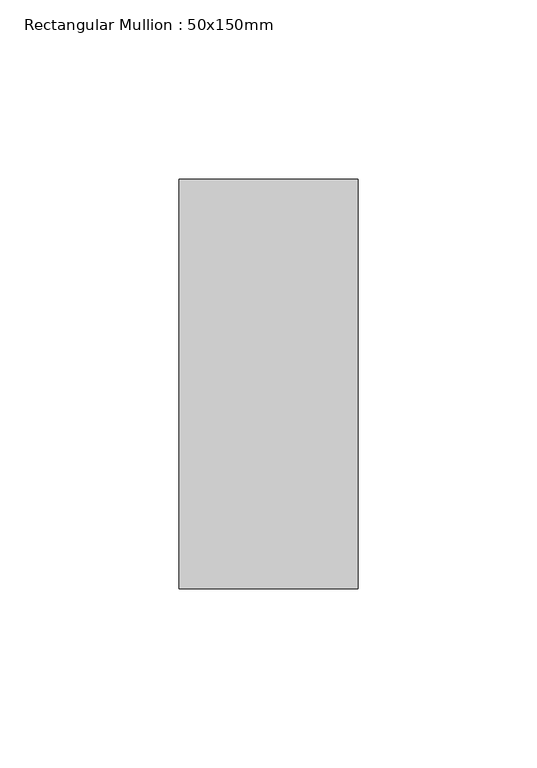
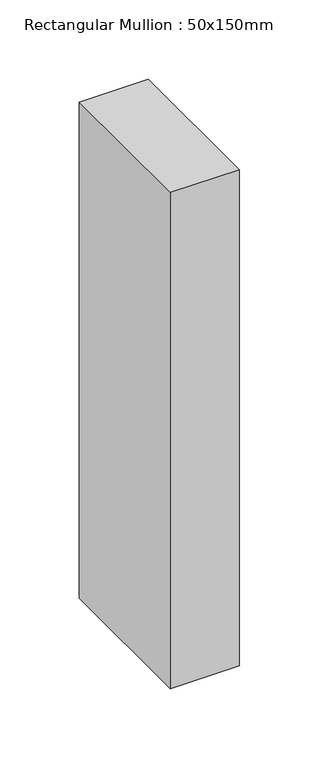
"""IFC4 building model written with IfcOpenShell, lengths in millimetres: member geometry, Rectangular Mullion : 50x150mm."""

from ifc_helpers import new_model, si_unit, frame, origin, place, context, project, spatial, polyline, outline, extrude, source, transform, mapped, element, save


def rectangular_mullion_50x150mm_ec39c34f(model_context):
    return source(origin(), model_context, "Body", "SweptSolid", [
        extrude(outline(polyline([(0.0, 57.15), (0.0, -57.15), (-50.0, -57.15), (-50.0, 57.15), (0.0, 57.15)])), frame((0.0, 0.0, -381.0), z_axis=(0.0, 0.0, 1.0), x_axis=(1.0, 0.0, 0.0)), (0.0, 0.0, 1.0), 381.0),
    ])


if __name__ == "__main__":
    model = new_model("IFC4")
    model_context = context("Model", 3, world=origin())
    ifc_project = project(units=[si_unit("LENGTHUNIT", "METRE", prefix="MILLI")], contexts=[model_context])
    site = spatial("IfcSite", under=ifc_project)
    building = spatial("IfcBuilding", under=site)
    placement = place(None, origin())
    rectangular_mullion_50x150mm_shape = rectangular_mullion_50x150mm_ec39c34f(model_context)
    element("IfcMember", 1, ObjectType="Rectangular Mullion : 50x150mm", at=placement, inside=building, context=model_context, shape_type="MappedRepresentation", body=[
        mapped(rectangular_mullion_50x150mm_shape, transform((0.0, 0.0, 0.0), x_axis=(1.0, 0.0, 0.0), y_axis=(0.0, 1.0, 0.0), z_axis=(0.0, 0.0, 1.0))),
    ])
    save(model, "model.ifc")
